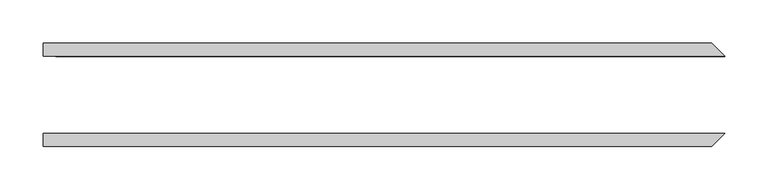
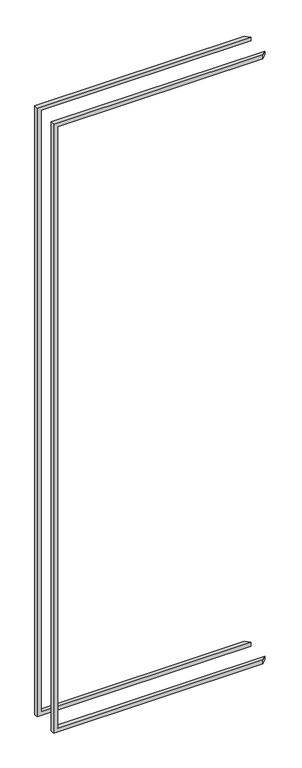
"""IFC4 building model written with IfcOpenShell, lengths in millimetres: proxy geometry."""

from ifc_helpers import new_model, si_unit, origin, place, context, project, spatial, faceted_brep, source, transform, mapped, element, save


def generic_models_ee51e3e4(model_context):
    return source(origin(), model_context, "Body", "Brep", [
        faceted_brep([(-785.8125, 59.53125, 2392.3625), (-785.8125, 44.45, 2392.3625), (0.0, 44.45, 2392.3625), (-15.08125, 59.53125, 2392.3625), (-785.8125, 44.45, 26.9875), (-785.8125, 59.53125, 26.9875), (-15.08125, 59.53125, 26.9875), (0.0, 44.45, 26.9875), (-15.08125, 59.53125, 2378.075), (-771.525, 59.53125, 2378.075), (-771.525, 59.53125, 41.275), (-15.08125, 59.53125, 41.275), (0.0, 44.45, 41.275), (-771.525, 44.45, 41.275), (-771.525, 44.45, 2378.075), (0.0, 44.45, 2378.075)], [[[0, 1, 2, 3]], [[4, 5, 6, 7]], [[6, 5, 0, 3, 8, 9, 10, 11]], [[1, 0, 5, 4]], [[4, 7, 12, 13, 14, 15, 2, 1]], [[9, 14, 13, 10]], [[15, 14, 9, 8]], [[3, 2, 15, 8]], [[11, 10, 13, 12]], [[11, 12, 7, 6]]]),
        faceted_brep([(-785.8125, -44.45, 2392.3625), (-785.8125, -59.53125, 2392.3625), (-15.08125, -59.53125, 2392.3625), (0.0, -44.45, 2392.3625), (-785.8125, -59.53125, 26.9875), (-785.8125, -44.45, 26.9875), (0.0, -44.45, 26.9875), (-15.08125, -59.53125, 26.9875), (0.0, -44.45, 2378.075), (-771.525, -44.45, 2378.075), (-771.525, -44.45, 41.275), (0.0, -44.45, 41.275), (-15.08125, -59.53125, 41.275), (-771.525, -59.53125, 41.275), (-771.525, -59.53125, 2378.075), (-15.08125, -59.53125, 2378.075)], [[[0, 1, 2, 3]], [[4, 5, 6, 7]], [[6, 5, 0, 3, 8, 9, 10, 11]], [[1, 0, 5, 4]], [[4, 7, 12, 13, 14, 15, 2, 1]], [[9, 14, 13, 10]], [[8, 15, 14, 9]], [[3, 2, 15, 8]], [[11, 10, 13, 12]], [[11, 12, 7, 6]]]),
    ])


if __name__ == "__main__":
    model = new_model("IFC4")
    model_context = context("Model", 3, world=origin())
    ifc_project = project(units=[si_unit("LENGTHUNIT", "METRE", prefix="MILLI")], contexts=[model_context])
    site = spatial("IfcSite", under=ifc_project)
    building = spatial("IfcBuilding", under=site)
    placement = place(None, origin())
    generic_models_shape = generic_models_ee51e3e4(model_context)
    element("IfcBuildingElementProxy", 1, Name="Generic Models", at=placement, inside=building, context=model_context, shape_type="MappedRepresentation", body=[
        mapped(generic_models_shape, transform((0.0, 0.0, 0.0), x_axis=(1.0, 0.0, 0.0), y_axis=(0.0, 1.0, 0.0), z_axis=(0.0, 0.0, 1.0))),
    ])
    save(model, "model.ifc")
